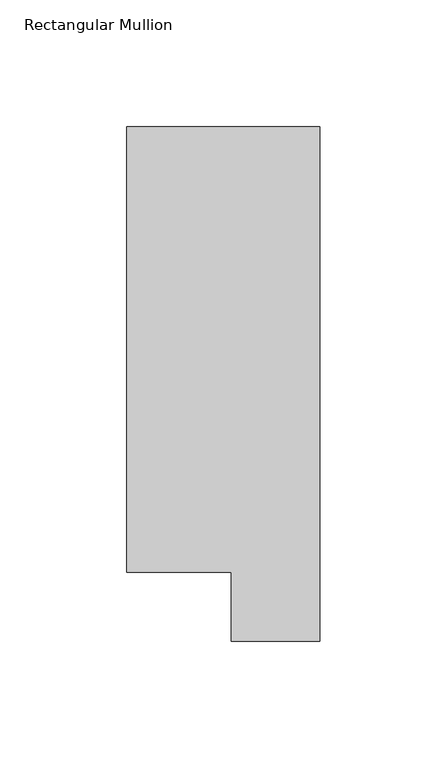
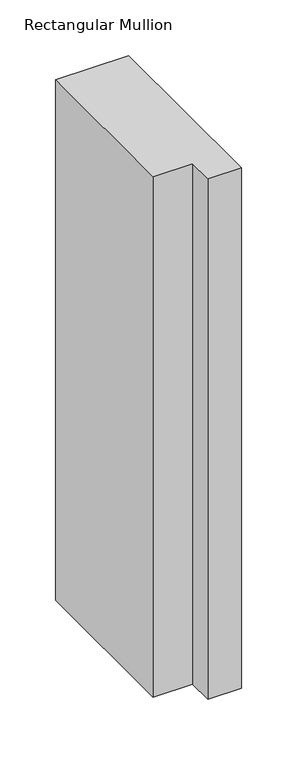
"""IFC4 building model written with IfcOpenShell, lengths in millimetres: member geometry, Rectangular Mullion."""

from ifc_helpers import new_model, si_unit, frame, origin, place, context, project, spatial, polyline, outline, extrude, source, transform, mapped, element, save


def rectangular_mullion_3498d3b0(model_context):
    return source(origin(), model_context, "Body", "SweptSolid", [
        extrude(outline(polyline([(0.0, 222.5381312), (0.0, 19.5667312), (-34.9123, 19.5667312), (-34.9123, 46.7447302), (-76.2, 46.7447302), (-76.2, 222.5381312), (0.0, 222.5381312)])), frame((0.0, 0.0, -571.8194229), z_axis=(0.0, 0.0, 1.0), x_axis=(1.0, 0.0, 0.0)), (0.0, 0.0, 1.0), 571.8194229),
    ])


if __name__ == "__main__":
    model = new_model("IFC4")
    model_context = context("Model", 3, world=origin())
    ifc_project = project(units=[si_unit("LENGTHUNIT", "METRE", prefix="MILLI")], contexts=[model_context])
    site = spatial("IfcSite", under=ifc_project)
    building = spatial("IfcBuilding", under=site)
    placement = place(None, origin())
    rectangular_mullion_shape = rectangular_mullion_3498d3b0(model_context)
    element("IfcMember", 1, ObjectType="Rectangular Mullion", at=placement, inside=building, context=model_context, shape_type="MappedRepresentation", body=[
        mapped(rectangular_mullion_shape, transform((0.0, 0.0, 0.0), x_axis=(1.0, 0.0, 0.0), y_axis=(0.0, 1.0, 0.0), z_axis=(0.0, 0.0, 1.0))),
    ])
    save(model, "model.ifc")
